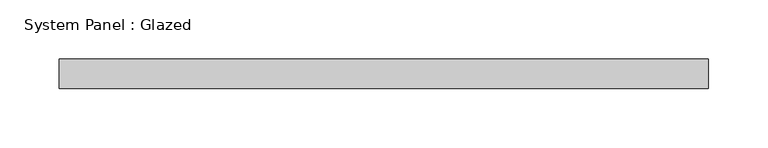
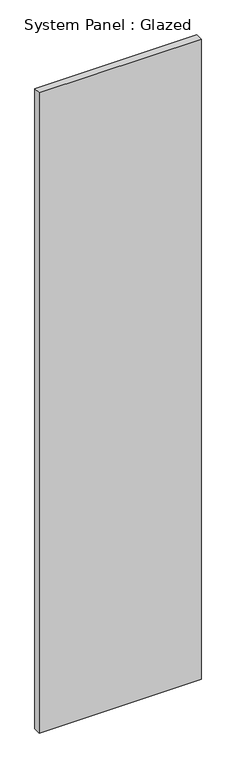
"""IFC4 building model written with IfcOpenShell, lengths in millimetres: plate geometry, System Panel : Glazed."""

from ifc_helpers import new_model, si_unit, origin, origin_with_axes, place, context, project, spatial, polyline, outline, extrude, source, transform, mapped, element, save


def system_panel_glazed_e0fc5fb3(model_context):
    return source(origin(), model_context, "Body", "SweptSolid", [
        extrude(outline(polyline([(275.0, 24.5), (-275.0, 24.5), (-275.0, 49.5), (275.0, 49.5), (275.0, 24.5)])), origin_with_axes(), (0.0, 0.0, 1.0), 2300.0),
    ])


if __name__ == "__main__":
    model = new_model("IFC4")
    model_context = context("Model", 3, world=origin())
    ifc_project = project(units=[si_unit("LENGTHUNIT", "METRE", prefix="MILLI")], contexts=[model_context])
    site = spatial("IfcSite", under=ifc_project)
    building = spatial("IfcBuilding", under=site)
    placement = place(None, origin())
    system_panel_glazed_shape = system_panel_glazed_e0fc5fb3(model_context)
    element("IfcPlate", 1, ObjectType="System Panel : Glazed", at=placement, inside=building, context=model_context, shape_type="MappedRepresentation", body=[
        mapped(system_panel_glazed_shape, transform((0.0, 0.0, 0.0), x_axis=(1.0, 0.0, 0.0), y_axis=(0.0, 1.0, 0.0), z_axis=(0.0, 0.0, 1.0))),
    ])
    save(model, "model.ifc")
